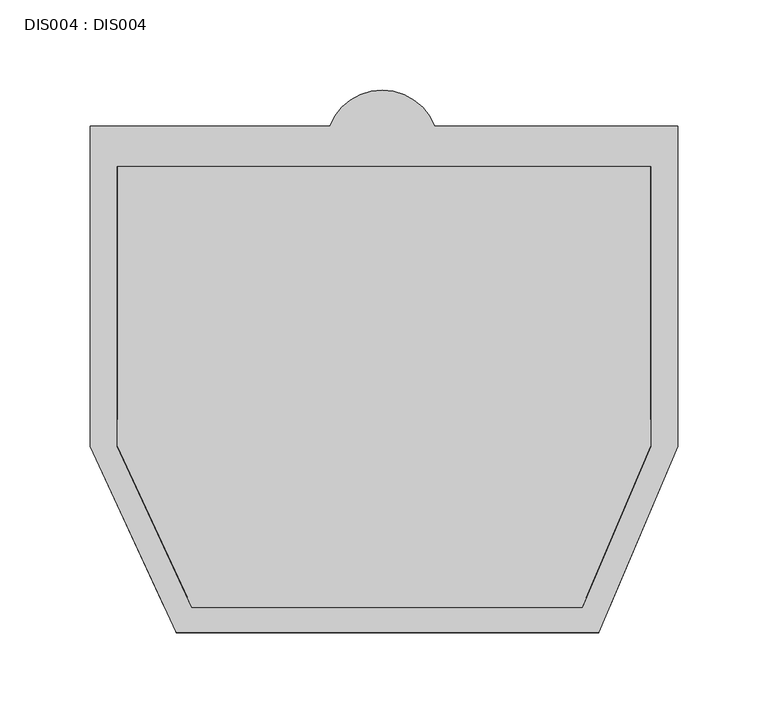
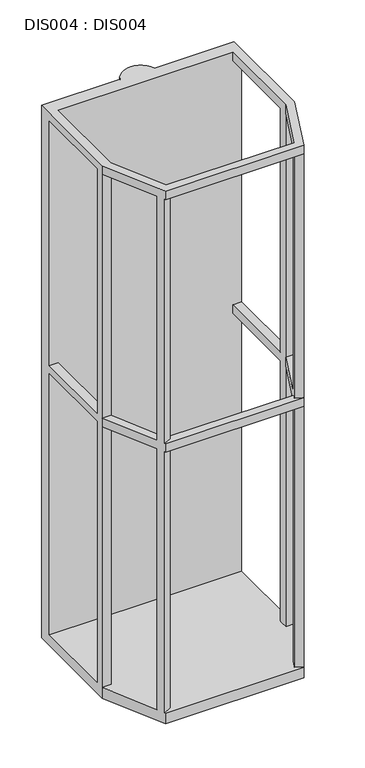
"""IFC4 building model written with IfcOpenShell, lengths in millimetres: proxy geometry, DIS004 : DIS004."""

from ifc_helpers import new_model, si_unit, frame, origin, place, context, project, spatial, circle_curve, source, transform, mapped, element, save
from ifc_brep_helpers import plane_surface, cylinder_surface, advanced_brep


def dis004_dis004_10c20a3e(model_context):
    return source(origin(), model_context, "Body", "AdvancedBrep", [
        advanced_brep(
        [(325.0000025, -19.1970864, 950.0000072), (190.5564294, -19.1970864, 950.0000072), (132.4564369, -19.1970864, 950.0000072), (0.0, -19.1970864, 950.0000072), (0.0, -196.510071, 950.0000072), (47.5607074, -299.5123313, 950.0000072), (281.278137, -299.5123313, 950.0000072), (325.0000025, -196.510071, 950.0000072), (310.0, -41.6187394, 950.0000072), (310.0, -196.5100738, 950.0000072), (272.1145801, -285.7625299, 950.0000072), (56.2118135, -285.7625299, 950.0000072), (14.9999997, -196.5100732, 950.0000072), (14.9999997, -41.6187394, 950.0000072), (0.0, -19.1970864, 0.0), (132.4564369, -19.1970864, 0.0), (190.5564294, -19.1970864, 0.0), (325.0000025, -19.1970864, 0.0), (325.0000025, -196.510071, 0.0), (281.278137, -299.5123313, 0.0), (47.5607074, -299.5123313, 0.0), (0.0, -196.510071, 0.0), (0.0, -196.510071, 18.9999996), (0.0, -196.510071, 484.4999708), (0.0, -196.510071, 499.5), (0.0, -196.5100732, 934.9999781), (0.0, -41.6187394, 934.9999781), (0.0, -181.5100782, 934.9999781), (0.0, -181.5100782, 499.5), (0.0, -41.6187394, 499.5), (0.0, -41.6187394, 484.4999708), (0.0, -181.5100782, 484.4999708), (0.0, -181.5100782, 18.9999996), (0.0, -41.6187394, 18.9999996), (325.0000025, -41.6187394, 18.9999996), (325.0000025, -41.6187394, 484.4999708), (310.0, -41.6187394, 484.4999708), (310.0, -41.6187394, 499.5), (325.0000025, -41.6187394, 499.5), (325.0000025, -41.6187394, 934.9999781), (310.0, -41.6187394, 934.9999781), (14.9999997, -41.6187394, 934.9999781), (14.9999997, -41.6187394, 499.5), (14.9999997, -41.6187394, 484.4999708), (325.0000025, -196.510071, 18.9999996), (325.0000025, -196.510071, 934.9999781), (325.0000025, -196.510071, 499.5), (325.0000025, -196.510071, 484.4999708), (325.0000025, -181.5100738, 18.9999996), (325.0000025, -181.5100738, 484.4999708), (325.0000025, -181.5100738, 499.5), (325.0000025, -181.5100738, 934.9999781), (190.5564294, -19.1970864, 18.9999996), (132.4564369, -19.1970864, 18.9999996), (47.5607074, -299.5123313, 18.9999996), (281.278137, -299.5123313, 18.9999996), (281.7224917, -298.4654972, 18.9999996), (269.0125528, -293.0704482, 18.9999996), (274.4046424, -280.3674813, 18.9999996), (287.1145813, -285.7625302, 18.9999996), (310.0, -196.510071, 18.9999996), (310.0, -181.5100738, 18.9999996), (14.9999997, -181.5100782, 18.9999996), (14.9999997, -196.5100732, 18.9999996), (41.2118149, -285.7625299, 18.9999996), (53.5757303, -280.0535624, 18.9999996), (59.2770167, -292.4008428, 18.9999996), (46.9131013, -298.1098103, 18.9999996), (46.9131013, -298.1098103, 484.4999708), (47.5607074, -299.5123313, 484.4999708), (47.5607074, -299.5123313, 499.5), (46.9131013, -298.1098103, 499.5), (46.9131013, -298.1098103, 934.9999781), (47.5607074, -299.5123313, 934.9999781), (41.2118149, -285.7625299, 934.9999781), (41.2118149, -285.7625299, 499.5), (41.2118149, -285.7625299, 484.4999708), (287.1145813, -285.7625302, 484.4999708), (287.1145813, -285.7625302, 499.5), (287.1145813, -285.7625302, 934.9999781), (281.278137, -299.5123313, 934.9999781), (281.7224917, -298.4654972, 934.9999781), (281.7224917, -298.4654972, 499.5), (281.278137, -299.5123313, 499.5), (281.278137, -299.5123313, 484.4999708), (281.7224917, -298.4654972, 484.4999708), (310.0, -181.5100738, 934.9999781), (14.9999997, -181.5100782, 934.9999781), (56.2118135, -285.7625299, 934.9999781), (272.1145801, -285.7625299, 934.9999781), (269.0125528, -293.0704482, 934.9999781), (59.2770167, -292.4008428, 934.9999781), (14.9999997, -196.5100732, 934.9999781), (53.5757303, -280.0535624, 934.9999781), (274.4046424, -280.3674813, 934.9999781), (310.0, -196.5100738, 934.9999781), (310.0, -196.5100738, 484.4999708), (310.0, -196.5100738, 499.5), (310.0, -181.5100738, 499.5), (310.0, -181.5100738, 484.4999708), (274.4046424, -280.3674813, 484.4999708), (269.0125528, -293.0704482, 484.4999708), (272.1145801, -285.7625299, 484.4999708), (272.1145801, -285.7625299, 499.5), (269.0125528, -293.0704482, 499.5), (274.4046424, -280.3674813, 499.5), (53.5757303, -280.0535624, 484.4999708), (14.9999997, -196.5100732, 484.4999708), (14.9999997, -196.5100732, 499.5), (53.5757303, -280.0535624, 499.5), (59.2770167, -292.4008428, 499.5), (56.2118135, -285.7625299, 499.5), (56.2118135, -285.7625299, 484.4999708), (59.2770167, -292.4008428, 484.4999708), (14.9999997, -181.5100782, 484.4999708), (14.9999997, -181.5100782, 499.5)],
        [
            (0, 1),
            (1, 2, circle_curve(frame((161.5064332, -30.5821777, 950.0000072), z_axis=(0.0, 0.0, 1.0), x_axis=(1.0, 0.0, 0.0)), 31.2013235)),
            (2, 3),
            (3, 4),
            (4, 5),
            (5, 6),
            (6, 7),
            (7, 0),
            (8, 9),
            (9, 10),
            (10, 11),
            (11, 12),
            (12, 13),
            (13, 8),
            (14, 15),
            (15, 16, circle_curve(frame((161.5064332, -30.5821777, 0.0), z_axis=(0.0, 0.0, -1.0), x_axis=(1.0, 0.0, 0.0)), 31.2013235)),
            (16, 17),
            (17, 18),
            (18, 19),
            (19, 20),
            (20, 21),
            (21, 14),
            (21, 22),
            (22, 23),
            (23, 24),
            (24, 25),
            (25, 4),
            (3, 14),
            (26, 27),
            (27, 28),
            (28, 29),
            (29, 26),
            (30, 31),
            (31, 32),
            (32, 33),
            (33, 30),
            (33, 34),
            (34, 35),
            (35, 36),
            (36, 37),
            (37, 38),
            (38, 39),
            (39, 40),
            (40, 8),
            (13, 41),
            (41, 26),
            (29, 42),
            (42, 43),
            (43, 30),
            (44, 18),
            (17, 0),
            (7, 45),
            (45, 46),
            (46, 47),
            (47, 44),
            (34, 48),
            (48, 49),
            (49, 35),
            (38, 50),
            (50, 51),
            (51, 39),
            (16, 52),
            (52, 1),
            (15, 53),
            (53, 2),
            (54, 55),
            (55, 56),
            (56, 57),
            (57, 58),
            (58, 59),
            (59, 44),
            (44, 60),
            (60, 61),
            (61, 48),
            (32, 62),
            (62, 63),
            (63, 22),
            (22, 64),
            (64, 65),
            (65, 66),
            (66, 67),
            (67, 54),
            (20, 54),
            (67, 68),
            (68, 69),
            (69, 70),
            (70, 71),
            (71, 72),
            (72, 73),
            (73, 5),
            (25, 74),
            (74, 75),
            (75, 24),
            (23, 76),
            (76, 64),
            (19, 55),
            (59, 77),
            (77, 47),
            (46, 78),
            (78, 79),
            (79, 45),
            (6, 80),
            (80, 81),
            (81, 82),
            (82, 83),
            (83, 84),
            (84, 85),
            (85, 56),
            (51, 86),
            (86, 40),
            (41, 87),
            (87, 27),
            (88, 89),
            (89, 90),
            (90, 81),
            (80, 73),
            (72, 91),
            (91, 88),
            (92, 93),
            (93, 74),
            (25, 92),
            (94, 95),
            (95, 45),
            (79, 94),
            (60, 96),
            (96, 97),
            (97, 95),
            (95, 9),
            (86, 98),
            (98, 37),
            (36, 99),
            (99, 61),
            (100, 58),
            (57, 101),
            (101, 102),
            (102, 103),
            (103, 104),
            (104, 90),
            (89, 10),
            (94, 105),
            (105, 97),
            (96, 100),
            (88, 11),
            (65, 106),
            (106, 107),
            (107, 108),
            (108, 109),
            (109, 93),
            (92, 12),
            (91, 110),
            (110, 111),
            (111, 112),
            (112, 113),
            (113, 66),
            (62, 114),
            (114, 43),
            (42, 115),
            (115, 87),
            (92, 108),
            (107, 63),
            (98, 50),
            (28, 115),
            (75, 109),
            (108, 24),
            (46, 97),
            (105, 78),
            (70, 83),
            (82, 104),
            (103, 111),
            (110, 71),
            (49, 99),
            (114, 31),
            (96, 47),
            (77, 100),
            (106, 76),
            (23, 107),
            (112, 102),
            (101, 85),
            (84, 69),
            (68, 113),
        ],
        [
            plane_surface(frame((0.0, -41.6187351, 950.0000072), z_axis=(0.0, 0.0, 1.0), x_axis=(0.0, -1.0, 0.0))),
            plane_surface(frame((0.0, -41.6187351, 0.0), z_axis=(0.0, 0.0, -1.0), x_axis=(0.0, 1.0, 0.0))),
            plane_surface(frame((0.0, -19.1970864, 950.0000072), z_axis=(-1.0, 0.0, 0.0), x_axis=(0.0, 0.0, -1.0))),
            plane_surface(frame((0.0, -41.6187394, 950.0000072), z_axis=(0.0, -1.0, 0.0), x_axis=(0.0, 0.0, -1.0))),
            plane_surface(frame((325.0000025, -41.6187394, 950.0000072), z_axis=(1.0, 0.0, 0.0), x_axis=(0.0, 0.0, -1.0))),
            plane_surface(frame((325.0000025, -19.1970864, 950.0000072), z_axis=(0.0, 1.0, 0.0), x_axis=(0.0, 0.0, -1.0))),
            cylinder_surface(frame((161.5064332, -30.5821777, 0.0), z_axis=(0.0, 0.0, 1.0), x_axis=(1.0, 0.0, 0.0)), 31.2013235),
            plane_surface(frame((132.4564369, -19.1970864, 950.0000072), z_axis=(0.0, 1.0, 0.0), x_axis=(0.0, 0.0, -1.0))),
            plane_surface(frame((0.0, -19.1970864, 18.9999996), z_axis=(0.0, 0.0, 1.0), x_axis=(-1.0, 0.0, 0.0))),
            plane_surface(frame((0.0, -196.510071, 18.9999996), z_axis=(-0.9078882636514989, -0.41921223828016585, 0.0), x_axis=(0.0, 0.0, -1.0))),
            plane_surface(frame((47.5607074, -299.5123313, 18.9999996), z_axis=(0.0, -1.0, 0.0), x_axis=(0.0, 0.0, -1.0))),
            plane_surface(frame((281.278137, -299.5123313, 18.9999996), z_axis=(0.9205048534524399, -0.3907311284892748, 0.0), x_axis=(0.0, 0.0, -1.0))),
            plane_surface(frame((0.0, -196.510071, 934.9999781), z_axis=(0.0, 0.0, -1.0), x_axis=(-0.4192122382801645, 0.9078882636514994, 0.0))),
            plane_surface(frame((47.5607074, -299.5123313, 950.0000072), z_axis=(0.0, -1.0, 0.0), x_axis=(0.0, 0.0, -1.0))),
            plane_surface(frame((310.0, -41.6187394, 950.0000072), z_axis=(-1.0, 0.0, 0.0), x_axis=(0.0, 0.0, -1.0))),
            plane_surface(frame((310.0, -196.5100738, 950.0000072), z_axis=(-0.9205048534524406, 0.3907311284892732, 0.0), x_axis=(0.0, 0.0, -1.0))),
            plane_surface(frame((272.1145801, -285.7625299, 950.0000072), z_axis=(0.0, 1.0, 0.0), x_axis=(0.0, 0.0, -1.0))),
            plane_surface(frame((56.2118135, -285.7625299, 950.0000072), z_axis=(0.9078882636515009, 0.4192122382801616, 0.0), x_axis=(0.0, 0.0, -1.0))),
            plane_surface(frame((14.9999997, -196.5100732, 950.0000072), z_axis=(1.0, 0.0, 0.0), x_axis=(0.0, 0.0, -1.0))),
            plane_surface(frame((0.0, -196.510071, 499.5), z_axis=(0.0, 0.0, 1.0), x_axis=(0.4192122382801643, -0.9078882636514995, 0.0))),
            plane_surface(frame((0.0, -196.510071, 484.4999708), z_axis=(0.0, 0.0, -1.0), x_axis=(-0.4192122382801643, 0.9078882636514995, 0.0))),
            plane_surface(frame((47.5607074, -299.5123313, 499.5), z_axis=(0.0, -1.0, 0.0), x_axis=(0.0, 0.0, -1.0))),
            plane_surface(frame((272.1145801, -285.7625299, 499.5), z_axis=(0.0, 1.0, 0.0), x_axis=(0.0, 0.0, -1.0))),
            plane_surface(frame((14.9999997, -181.5100782, 934.9999781), z_axis=(0.0, 1.0, 0.0), x_axis=(0.0, 0.0, -1.0))),
            plane_surface(frame((0.0, -196.5100732, 934.9999781), z_axis=(0.0, -1.0, 0.0), x_axis=(0.0, 0.0, -1.0))),
            plane_surface(frame((325.0000025, -181.5100738, 934.9999781), z_axis=(0.0, 1.0, 0.0), x_axis=(0.0, 0.0, -1.0))),
            plane_surface(frame((310.0, -196.510071, 934.9999781), z_axis=(0.0, -1.0, 0.0), x_axis=(0.0, 0.0, -1.0))),
            plane_surface(frame((53.5757303, -280.0535624, 934.9999781), z_axis=(-0.4192122382801628, 0.9078882636515002, 0.0), x_axis=(0.0, 0.0, -1.0))),
            plane_surface(frame((46.9131014, -298.1098103, 934.9999781), z_axis=(0.4192122382801638, -0.9078882636514999, 0.0), x_axis=(0.0, 0.0, -1.0))),
            plane_surface(frame((269.0125528, -293.0704482, 934.9999781), z_axis=(-0.39073112848927843, -0.9205048534524384, 0.0), x_axis=(0.0, 0.0, -1.0))),
            plane_surface(frame((287.1145813, -285.7625302, 934.9999781), z_axis=(0.3907311284892764, 0.9205048534524393, 0.0), x_axis=(0.0, 0.0, -1.0))),
        ],
        [
            (0, [[1, 2, 3, 4, 5, 6, 7, 8], [9, 10, 11, 12, 13, 14]]),
            (1, [[15, 16, 17, 18, 19, 20, 21, 22]]),
            (2, [[23, 24, 25, 26, 27, -4, 28, -22], [29, 30, 31, 32], [33, 34, 35, 36]]),
            (3, [[37, 38, 39, 40, 41, 42, 43, 44, -14, 45, 46, -32, 47, 48, 49, -36]]),
            (4, [[50, -18, 51, -8, 52, 53, 54, 55], [56, 57, 58, -38], [59, 60, 61, -42]]),
            (5, [[-1, -51, -17, 62, 63]]),
            (6, [[-2, -63, -62, -16, 64, 65]]),
            (7, [[-3, -65, -64, -15, -28]]),
            (8, [[66, 67, 68, 69, 70, 71, 72, 73, 74, -56, -37, -35, 75, 76, 77, 78, 79, 80, 81, 82]]),
            (9, [[-21, 83, -82, 84, 85, 86, 87, 88, 89, 90, -5, -27, 91, 92, 93, -25, 94, 95, -78, -23]]),
            (10, [[-66, -83, -20, 96]]),
            (11, [[-19, -50, -71, 97, 98, -54, 99, 100, 101, -52, -7, 102, 103, 104, 105, 106, 107, 108, -67, -96]]),
            (12, [[-43, -61, 109, 110]]),
            (12, [[-46, 111, 112, -29]]),
            (12, [[113, 114, 115, -103, 116, -89, 117, 118]]),
            (12, [[119, 120, -91, 121]]),
            (12, [[122, 123, -101, 124]]),
            (13, [[-6, -90, -116, -102]]),
            (14, [[125, 126, 127, 128, -9, -44, -110, 129, 130, -40, 131, 132, -73]]),
            (15, [[133, -69, 134, 135, 136, 137, 138, -114, 139, -10, -128, -122, 140, 141, -126, 142]]),
            (16, [[-11, -139, -113, 143]]),
            (17, [[144, 145, 146, 147, 148, -119, 149, -12, -143, -118, 150, 151, 152, 153, 154, -80]]),
            (18, [[155, 156, -48, 157, 158, -111, -45, -13, -149, 159, -146, 160, -76]]),
            (19, [[-41, -130, 161, -59]]),
            (19, [[-47, -31, 162, -157]]),
            (19, [[-93, 163, -147, 164]]),
            (19, [[-99, 165, -141, 166]]),
            (19, [[167, -105, 168, -137, 169, -151, 170, -87]]),
            (20, [[-39, -58, 171, -131]]),
            (20, [[-49, -156, 172, -33]]),
            (20, [[-142, 173, -98, 174]]),
            (20, [[-145, 175, -94, 176]]),
            (20, [[177, -135, 178, -107, 179, -85, 180, -153]]),
            (21, [[-167, -86, -179, -106]]),
            (22, [[-169, -136, -177, -152]]),
            (23, [[-34, -172, -155, -75]]),
            (23, [[-158, -162, -30, -112]]),
            (24, [[-24, -77, -160, -176]]),
            (24, [[-26, -164, -159, -121]]),
            (25, [[-60, -161, -129, -109]]),
            (25, [[-132, -171, -57, -74]]),
            (26, [[-53, -123, -127, -165]]),
            (26, [[-55, -173, -125, -72]]),
            (27, [[-92, -120, -148, -163]]),
            (27, [[-144, -79, -95, -175]]),
            (28, [[-84, -81, -154, -180]]),
            (28, [[-88, -170, -150, -117]]),
            (29, [[-104, -115, -138, -168]]),
            (29, [[-108, -178, -134, -68]]),
            (30, [[-100, -166, -140, -124]]),
            (30, [[-133, -174, -97, -70]]),
        ],
    ),
    ])


if __name__ == "__main__":
    model = new_model("IFC4")
    model_context = context("Model", 3, world=origin())
    ifc_project = project(units=[si_unit("LENGTHUNIT", "METRE", prefix="MILLI")], contexts=[model_context])
    site = spatial("IfcSite", under=ifc_project)
    building = spatial("IfcBuilding", under=site)
    placement = place(None, origin())
    dis004_dis004_shape = dis004_dis004_10c20a3e(model_context)
    element("IfcBuildingElementProxy", 1, Name="DIS004 : DIS004", ObjectType="DIS004 : DIS004", at=placement, inside=building, context=model_context, shape_type="MappedRepresentation", body=[
        mapped(dis004_dis004_shape, transform((0.0, 0.0, 0.0), x_axis=(1.0, 0.0, 0.0), y_axis=(0.0, 1.0, 0.0), z_axis=(0.0, 0.0, 1.0))),
    ])
    save(model, "model.ifc")
